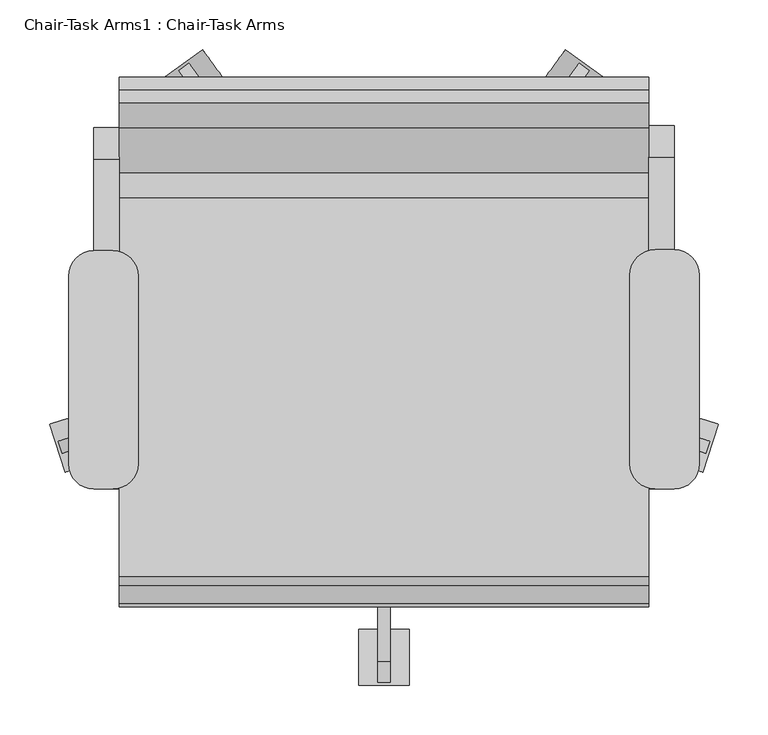
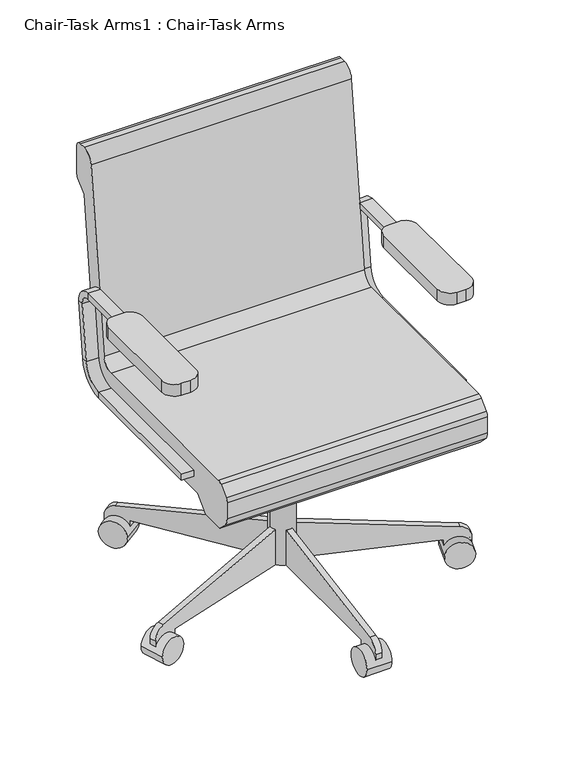
"""IFC4 building model written with IfcOpenShell, lengths in millimetres: furniture geometry, Chair-Task Arms1 : Chair-Task Arms."""

from ifc_helpers import new_model, si_unit, point, frame, frame_2d, origin, place, context, project, spatial, polyline, circle_curve, trimmed, segment, composite_curve, outline, extrude, source, transform, mapped, element, save
from ifc_brep_helpers import plane_surface, cylinder_surface, revolved_surface, advanced_brep


def chair_task_arms1_chair_task_arms_295dccd0(model_context):
    return source(origin(), model_context, "Body", "SolidModel", [
        extrude(outline(composite_curve([segment(trimmed(circle_curve(frame_2d((433.0908197, 48.8028048)), 25.4), [point((433.0908197, 74.2028048))], [point((458.4908197, 48.8028048))], False, "CARTESIAN"), True, "CONTINUOUS"), segment(polyline([(458.4908197, 48.8028048), (458.4908197, -141.6319091)]), True, "CONTINUOUS"), segment(trimmed(circle_curve(frame_2d((433.0908197, -141.6319091)), 25.4), [point((458.4908197, -141.6319091))], [point((433.0908197, -167.0319091))], False, "CARTESIAN"), True, "CONTINUOUS"), segment(polyline([(433.0908197, -167.0319091), (414.0408197, -167.0319091)]), True, "CONTINUOUS"), segment(trimmed(circle_curve(frame_2d((414.0408197, -141.6319091)), 25.4), [point((414.0408197, -167.0319091))], [point((388.6408197, -141.6319091))], False, "CARTESIAN"), True, "CONTINUOUS"), segment(polyline([(388.6408197, -141.6319091), (388.6408197, 48.8028048)]), True, "CONTINUOUS"), segment(trimmed(circle_curve(frame_2d((414.0408197, 48.8028048)), 25.4), [point((388.6408197, 48.8028048))], [point((414.0408197, 74.2028048))], False, "CARTESIAN"), True, "CONTINUOUS"), segment(polyline([(414.0408197, 74.2028048), (433.0908197, 74.2028048)]), True, "CONTINUOUS")], self_intersect=False)), frame((0.0, 0.0, 596.9), z_axis=(0.0, 0.0, 1.0), x_axis=(1.0, 0.0, 0.0)), (0.0, 0.0, 1.0), 25.4),
        extrude(outline(composite_curve([segment(trimmed(circle_curve(frame_2d((-132.0591803, 47.7575984)), 25.4), [point((-132.0591803, 73.1575984))], [point((-106.6591803, 47.7575984))], False, "CARTESIAN"), True, "CONTINUOUS"), segment(polyline([(-106.6591803, 47.7575984), (-106.6591803, -141.6319091)]), True, "CONTINUOUS"), segment(trimmed(circle_curve(frame_2d((-132.0591803, -141.6319091)), 25.4), [point((-106.6591803, -141.6319091))], [point((-132.0591803, -167.0319091))], False, "CARTESIAN"), True, "CONTINUOUS"), segment(polyline([(-132.0591803, -167.0319091), (-151.1091803, -167.0319091)]), True, "CONTINUOUS"), segment(trimmed(circle_curve(frame_2d((-151.1091803, -141.6319091)), 25.4), [point((-151.1091803, -167.0319091))], [point((-176.5091803, -141.6319091))], False, "CARTESIAN"), True, "CONTINUOUS"), segment(polyline([(-176.5091803, -141.6319091), (-176.5091803, 47.7575984)]), True, "CONTINUOUS"), segment(trimmed(circle_curve(frame_2d((-151.1091803, 47.7575984)), 25.4), [point((-176.5091803, 47.7575984))], [point((-151.1091803, 73.1575984))], False, "CARTESIAN"), True, "CONTINUOUS"), segment(polyline([(-151.1091803, 73.1575984), (-132.0591803, 73.1575984)]), True, "CONTINUOUS")], self_intersect=False)), frame((0.0, 0.0, 596.9), z_axis=(0.0, 0.0, 1.0), x_axis=(1.0, 0.0, 0.0)), (0.0, 0.0, 1.0), 25.4),
        advanced_brep(
        [(-151.1091803, -167.0319091, 412.75), (-125.7091803, -167.0319091, 412.75), (-125.7091803, -167.0319091, 425.45), (-151.1091803, -167.0319091, 425.45), (-151.1091803, 126.2388651, 425.45), (-151.1091803, 126.2388651, 412.75), (-125.7091803, 126.2388651, 425.45), (-125.7091803, 126.2388651, 412.75), (-151.1091803, 170.3844094, 464.7064065), (-151.1091803, 182.9974221, 463.2225227), (-125.7091803, 170.3844094, 464.7064065), (-125.7091803, 182.9974221, 463.2225227), (-151.1091803, 184.1806174, 581.9741742), (-151.1091803, 196.7936301, 580.4902904), (-125.7091803, 184.1806174, 581.9741742), (-125.7091803, 196.7936301, 580.4902904), (-151.1091803, 165.2610984, 603.25), (-151.1091803, 165.2610984, 615.95), (-125.7091803, 165.2610984, 603.25), (-125.7091803, 165.2610984, 615.95), (-151.1091803, -18.9459016, 615.95), (-151.1091803, -18.9459016, 603.25), (-125.7091803, -18.9459016, 603.25), (-125.7091803, -18.9459016, 615.95)],
        [
            (0, 1),
            (1, 2),
            (2, 3),
            (3, 0),
            (3, 4),
            (4, 5),
            (5, 0),
            (2, 6),
            (6, 4),
            (1, 7),
            (7, 6),
            (5, 7),
            (8, 9),
            (9, 5, circle_curve(frame((-151.1091803, 126.2388651, 469.9), z_axis=(-1.0, 0.0, 0.0), x_axis=(0.0, 0.0, -1.0)), 57.15)),
            (4, 8, circle_curve(frame((-151.1091803, 126.2388651, 469.9), z_axis=(1.0, 0.0, 0.0), x_axis=(0.0, 0.0, -1.0)), 44.45)),
            (10, 8),
            (6, 10, circle_curve(frame((-125.7091803, 126.2388651, 469.9), z_axis=(1.0, 0.0, 0.0), x_axis=(0.0, 0.0, -1.0)), 44.45)),
            (11, 10),
            (7, 11, circle_curve(frame((-125.7091803, 126.2388651, 469.9), z_axis=(1.0, 0.0, 0.0), x_axis=(0.0, 0.0, -1.0)), 57.15)),
            (9, 11),
            (8, 12),
            (12, 13),
            (13, 9),
            (10, 14),
            (14, 12),
            (11, 15),
            (15, 14),
            (13, 15),
            (16, 17),
            (17, 13, circle_curve(frame((-151.1091803, 165.2610984, 584.2), z_axis=(-1.0, 0.0, 0.0), x_axis=(0.0, 0.993150604322877, -0.11684124756739026)), 31.75)),
            (12, 16, circle_curve(frame((-151.1091803, 165.2610984, 584.2), z_axis=(1.0, 0.0, 0.0), x_axis=(0.0, 0.993150604322877, -0.11684124756739026)), 19.05)),
            (18, 16),
            (14, 18, circle_curve(frame((-125.7091803, 165.2610984, 584.2), z_axis=(1.0, 0.0, 0.0), x_axis=(0.0, 0.993150604322877, -0.11684124756739026)), 19.05)),
            (19, 18),
            (15, 19, circle_curve(frame((-125.7091803, 165.2610984, 584.2), z_axis=(1.0, 0.0, 0.0), x_axis=(0.0, 0.993150604322877, -0.11684124756739026)), 31.75)),
            (17, 19),
            (20, 21),
            (21, 22),
            (22, 23),
            (23, 20),
            (16, 21),
            (20, 17),
            (18, 22),
            (19, 23),
        ],
        [
            plane_surface(frame((-152.608212, -167.0319091, 419.1), z_axis=(0.0, -1.0, 0.0), x_axis=(0.0, 0.0, -1.0))),
            plane_surface(frame((-151.1091803, -167.0319091, 412.75), z_axis=(-1.0, 0.0, 0.0), x_axis=(0.0, 1.0, 0.0))),
            plane_surface(frame((-151.1091803, -167.0319091, 425.45), z_axis=(0.0, 0.0, 1.0), x_axis=(0.0, 1.0, 0.0))),
            plane_surface(frame((-125.7091803, -167.0319091, 425.45), z_axis=(1.0, 0.0, 0.0), x_axis=(0.0, 1.0, 0.0))),
            plane_surface(frame((-125.7091803, -167.0319091, 412.75), z_axis=(0.0, 0.0, -1.0), x_axis=(0.0, 1.0, 0.0))),
            plane_surface(frame((-151.1091803, 126.2388651, 469.9), z_axis=(-1.0, 0.0, 0.0), x_axis=(0.0, 0.0, -1.0))),
            revolved_surface(polyline([(-151.1091803, 126.2388651, 425.45), (-125.7091803, 126.2388651, 425.45)]), (-138.4091803, 126.2388651, 469.9), (-1.0, 0.0, 0.0)),
            plane_surface(frame((-125.7091803, 126.2388651, 469.9), z_axis=(1.0, 0.0, 0.0), x_axis=(0.0, 0.0, -1.0))),
            cylinder_surface(frame((-138.4091803, 126.2388651, 469.9), z_axis=(-1.0, 0.0, 0.0), x_axis=(0.0, 0.0, -1.0)), 57.15),
            plane_surface(frame((-151.1091803, 182.9974221, 463.2225227), z_axis=(-1.0, 0.0, 0.0), x_axis=(0.0, 0.11684124756738562, 0.9931506043228776))),
            plane_surface(frame((-151.1091803, 170.3844094, 464.7064065), z_axis=(0.0, -0.9931506043228776, 0.11684124756738562), x_axis=(0.0, 0.11684124756738562, 0.9931506043228776))),
            plane_surface(frame((-125.7091803, 170.3844094, 464.7064065), z_axis=(1.0, 0.0, 0.0), x_axis=(0.0, 0.11684124756738562, 0.9931506043228776))),
            plane_surface(frame((-125.7091803, 182.9974221, 463.2225227), z_axis=(0.0, 0.9931506043228776, -0.11684124756738562), x_axis=(0.0, 0.11684124756738562, 0.9931506043228776))),
            plane_surface(frame((-151.1091803, 165.2610984, 584.2), z_axis=(-1.0, 0.0, 0.0), x_axis=(0.0, 0.993150604322877, -0.11684124756739026))),
            revolved_surface(polyline([(-151.1091803, 184.1806174123508, 581.9741742338413), (-125.7091803, 184.1806174123508, 581.9741742338413)]), (-138.4091803, 165.2610984, 584.2), (-1.0, 0.0, 0.0)),
            plane_surface(frame((-125.7091803, 165.2610984, 584.2), z_axis=(1.0, 0.0, 0.0), x_axis=(0.0, 0.993150604322877, -0.11684124756739026))),
            cylinder_surface(frame((-138.4091803, 165.2610984, 584.2), z_axis=(-1.0, 0.0, 0.0), x_axis=(0.0, 0.993150604322877, -0.11684124756739026)), 31.75),
            plane_surface(frame((-152.608212, -18.9459016, 609.6), z_axis=(0.0, -1.0, 0.0), x_axis=(0.0, 0.0, 1.0))),
            plane_surface(frame((-151.1091803, 165.2610984, 615.95), z_axis=(-1.0, 0.0, 0.0), x_axis=(0.0, -1.0, 0.0))),
            plane_surface(frame((-151.1091803, 165.2610984, 603.25), z_axis=(0.0, 0.0, -1.0), x_axis=(0.0, -1.0, 0.0))),
            plane_surface(frame((-125.7091803, 165.2610984, 603.25), z_axis=(1.0, 0.0, 0.0), x_axis=(0.0, -1.0, 0.0))),
            plane_surface(frame((-125.7091803, 165.2610984, 615.95), z_axis=(0.0, 0.0, 1.0), x_axis=(0.0, -1.0, 0.0))),
        ],
        [
            (0, [[1, 2, 3, 4]]),
            (1, [[5, 6, 7, -4]]),
            (2, [[8, 9, -5, -3]]),
            (3, [[10, 11, -8, -2]]),
            (4, [[-7, 12, -10, -1]]),
            (5, [[13, 14, -6, 15]]),
            (6, [[16, -15, -9, 17]]),
            (7, [[18, -17, -11, 19]]),
            (8, [[20, -19, -12, -14]]),
            (9, [[21, 22, 23, -13]]),
            (10, [[24, 25, -21, -16]]),
            (11, [[26, 27, -24, -18]]),
            (12, [[-23, 28, -26, -20]]),
            (13, [[29, 30, -22, 31]]),
            (14, [[32, -31, -25, 33]]),
            (15, [[34, -33, -27, 35]]),
            (16, [[36, -35, -28, -30]]),
            (17, [[37, 38, 39, 40]]),
            (18, [[41, -37, 42, -29]]),
            (19, [[43, -38, -41, -32]]),
            (20, [[44, -39, -43, -34]]),
            (21, [[-42, -40, -44, -36]]),
        ],
    ),
        advanced_brep(
        [(433.0908197, -167.0319091, 425.45), (407.6908197, -167.0319091, 425.45), (407.6908197, -167.0319091, 412.75), (433.0908197, -167.0319091, 412.75), (433.0908197, 128.329278, 412.75), (433.0908197, 128.329278, 425.45), (407.6908197, 128.329278, 412.75), (407.6908197, 128.329278, 425.45), (433.0908197, 185.0878351, 463.2225227), (433.0908197, 172.4748224, 464.7064065), (407.6908197, 185.0878351, 463.2225227), (407.6908197, 172.4748224, 464.7064065), (433.0908197, 198.884043, 580.4902904), (433.0908197, 186.2710303, 581.9741742), (407.6908197, 198.884043, 580.4902904), (407.6908197, 186.2710303, 581.9741742), (433.0908197, 167.3515113, 615.95), (433.0908197, 167.3515113, 603.25), (407.6908197, 167.3515113, 615.95), (407.6908197, 167.3515113, 603.25), (433.0908197, -18.9459016, 603.25), (433.0908197, -18.9459016, 615.95), (407.6908197, -18.9459016, 615.95), (407.6908197, -18.9459016, 603.25)],
        [
            (0, 1),
            (1, 2),
            (2, 3),
            (3, 0),
            (3, 4),
            (4, 5),
            (5, 0),
            (2, 6),
            (6, 4),
            (1, 7),
            (7, 6),
            (5, 7),
            (8, 9),
            (9, 5, circle_curve(frame((433.0908197, 128.329278, 469.9), z_axis=(-1.0, 0.0, 0.0), x_axis=(0.0, 0.0, -1.0)), 44.45)),
            (4, 8, circle_curve(frame((433.0908197, 128.329278, 469.9), z_axis=(1.0, 0.0, 0.0), x_axis=(0.0, 0.0, -1.0)), 57.15)),
            (10, 8),
            (6, 10, circle_curve(frame((407.6908197, 128.329278, 469.9), z_axis=(1.0, 0.0, 0.0), x_axis=(0.0, 0.0, -1.0)), 57.15)),
            (11, 10),
            (7, 11, circle_curve(frame((407.6908197, 128.329278, 469.9), z_axis=(1.0, 0.0, 0.0), x_axis=(0.0, 0.0, -1.0)), 44.45)),
            (9, 11),
            (8, 12),
            (12, 13),
            (13, 9),
            (10, 14),
            (14, 12),
            (11, 15),
            (15, 14),
            (13, 15),
            (16, 17),
            (17, 13, circle_curve(frame((433.0908197, 167.3515113, 584.2), z_axis=(-1.0, 0.0, 0.0), x_axis=(0.0, 0.9931506043228767, -0.1168412475673929)), 19.05)),
            (12, 16, circle_curve(frame((433.0908197, 167.3515113, 584.2), z_axis=(1.0, 0.0, 0.0), x_axis=(0.0, 0.9931506043228767, -0.1168412475673929)), 31.75)),
            (18, 16),
            (14, 18, circle_curve(frame((407.6908197, 167.3515113, 584.2), z_axis=(1.0, 0.0, 0.0), x_axis=(0.0, 0.9931506043228767, -0.1168412475673929)), 31.75)),
            (19, 18),
            (15, 19, circle_curve(frame((407.6908197, 167.3515113, 584.2), z_axis=(1.0, 0.0, 0.0), x_axis=(0.0, 0.9931506043228767, -0.1168412475673929)), 19.05)),
            (17, 19),
            (20, 21),
            (21, 22),
            (22, 23),
            (23, 20),
            (16, 21),
            (20, 17),
            (18, 22),
            (19, 23),
        ],
        [
            plane_surface(frame((406.191788, -167.0319091, 419.1), z_axis=(0.0, -1.0, 0.0), x_axis=(0.0, 0.0, -1.0))),
            plane_surface(frame((433.0908197, -167.0319091, 425.45), z_axis=(1.0, 0.0, 0.0), x_axis=(0.0, 1.0, 0.0))),
            plane_surface(frame((433.0908197, -167.0319091, 412.75), z_axis=(0.0, 0.0, -1.0), x_axis=(0.0, 1.0, 0.0))),
            plane_surface(frame((407.6908197, -167.0319091, 412.75), z_axis=(-1.0, 0.0, 0.0), x_axis=(0.0, 1.0, 0.0))),
            plane_surface(frame((407.6908197, -167.0319091, 425.45), z_axis=(0.0, 0.0, 1.0), x_axis=(0.0, 1.0, 0.0))),
            plane_surface(frame((433.0908197, 128.329278, 469.9), z_axis=(1.0, 0.0, 0.0), x_axis=(0.0, 0.0, -1.0))),
            cylinder_surface(frame((420.3908197, 128.329278, 469.9), z_axis=(-1.0, 0.0, 0.0), x_axis=(0.0, 0.0, -1.0)), 57.15),
            plane_surface(frame((407.6908197, 128.329278, 469.9), z_axis=(-1.0, 0.0, 0.0), x_axis=(0.0, 0.0, -1.0))),
            revolved_surface(polyline([(407.6908197, 128.329278, 425.45), (433.0908197, 128.329278, 425.45)]), (420.3908197, 128.329278, 469.9), (-1.0, 0.0, 0.0)),
            plane_surface(frame((433.0908197, 172.4748224, 464.7064065), z_axis=(1.0, 0.0, 0.0), x_axis=(0.0, 0.11684124756738622, 0.9931506043228775))),
            plane_surface(frame((433.0908197, 185.0878351, 463.2225227), z_axis=(0.0, 0.9931506043228775, -0.11684124756738622), x_axis=(0.0, 0.11684124756738622, 0.9931506043228775))),
            plane_surface(frame((407.6908197, 185.0878351, 463.2225227), z_axis=(-1.0, 0.0, 0.0), x_axis=(0.0, 0.11684124756738622, 0.9931506043228775))),
            plane_surface(frame((407.6908197, 172.4748224, 464.7064065), z_axis=(0.0, -0.9931506043228775, 0.11684124756738622), x_axis=(0.0, 0.11684124756738622, 0.9931506043228775))),
            plane_surface(frame((433.0908197, 167.3515113, 584.2), z_axis=(1.0, 0.0, 0.0), x_axis=(0.0, 0.9931506043228767, -0.1168412475673929))),
            cylinder_surface(frame((420.3908197, 167.3515113, 584.2), z_axis=(-1.0, 0.0, 0.0), x_axis=(0.0, 0.9931506043228767, -0.1168412475673929)), 31.75),
            plane_surface(frame((407.6908197, 167.3515113, 584.2), z_axis=(-1.0, 0.0, 0.0), x_axis=(0.0, 0.9931506043228767, -0.1168412475673929))),
            revolved_surface(polyline([(407.6908197, 186.2710303123508, 581.9741742338412), (433.0908197, 186.2710303123508, 581.9741742338412)]), (420.3908197, 167.3515113, 584.2), (-1.0, 0.0, 0.0)),
            plane_surface(frame((406.191788, -18.9459016, 609.6), z_axis=(0.0, -1.0, 0.0), x_axis=(0.0, 0.0, 1.0))),
            plane_surface(frame((433.0908197, 167.3515113, 603.25), z_axis=(1.0, 0.0, 0.0), x_axis=(0.0, -1.0, 0.0))),
            plane_surface(frame((433.0908197, 167.3515113, 615.95), z_axis=(0.0, 0.0, 1.0), x_axis=(0.0, -1.0, 0.0))),
            plane_surface(frame((407.6908197, 167.3515113, 615.95), z_axis=(-1.0, 0.0, 0.0), x_axis=(0.0, -1.0, 0.0))),
            plane_surface(frame((407.6908197, 167.3515113, 603.25), z_axis=(0.0, 0.0, -1.0), x_axis=(0.0, -1.0, 0.0))),
        ],
        [
            (0, [[1, 2, 3, 4]]),
            (1, [[5, 6, 7, -4]]),
            (2, [[8, 9, -5, -3]]),
            (3, [[10, 11, -8, -2]]),
            (4, [[-7, 12, -10, -1]]),
            (5, [[13, 14, -6, 15]]),
            (6, [[16, -15, -9, 17]]),
            (7, [[18, -17, -11, 19]]),
            (8, [[20, -19, -12, -14]]),
            (9, [[21, 22, 23, -13]]),
            (10, [[24, 25, -21, -16]]),
            (11, [[26, 27, -24, -18]]),
            (12, [[-23, 28, -26, -20]]),
            (13, [[29, 30, -22, 31]]),
            (14, [[32, -31, -25, 33]]),
            (15, [[34, -33, -27, 35]]),
            (16, [[36, -35, -28, -30]]),
            (17, [[37, 38, 39, 40]]),
            (18, [[41, -37, 42, -29]]),
            (19, [[43, -38, -41, -32]]),
            (20, [[44, -39, -43, -34]]),
            (21, [[-42, -40, -44, -36]]),
        ],
    ),
        extrude(outline(composite_curve([segment(trimmed(circle_curve(frame_2d((140.9908197, -18.9459016)), 25.4), [point((115.5908197, -18.9459016))], [point((166.3908197, -18.9459016))], False, "CARTESIAN"), True, "CONTINUOUS"), segment(trimmed(circle_curve(frame_2d((140.9908197, -18.9459016)), 25.4), [point((166.3908197, -18.9459016))], [point((115.5908197, -18.9459016))], False, "CARTESIAN"), True, "CONTINUOUS")], self_intersect=False)), frame((0.0, 0.0, 53.5835944), z_axis=(0.0, 0.0, 1.0), x_axis=(1.0, 0.0, 0.0)), (0.0, 0.0, 1.0), 330.5914056),
        extrude(outline(composite_curve([segment(trimmed(circle_curve(frame_2d((0.0, 28.2002728)), 28.2002727), [point((0.0, 56.4005455))], [point((0.0, 0.0))], False, "CARTESIAN"), True, "CONTINUOUS"), segment(trimmed(circle_curve(frame_2d((0.0, 28.2002728)), 28.2002727), [point((0.0, 0.0))], [point((0.0, 56.4005455))], False, "CARTESIAN"), True, "CONTINUOUS")], self_intersect=False)), frame((461.9222851, -149.9299964, 28.1835944), z_axis=(0.3090169943749423, 0.9510565162951553, 0.0), x_axis=(0.0, 0.0, -1.0)), (0.0, 0.0, 1.0), 50.8),
        extrude(outline(composite_curve([segment(polyline([(25.4, 0.0), (0.0, 0.0), (0.0, 50.8), (24.303053, 50.8)]), True, "CONTINUOUS"), segment(trimmed(circle_curve(frame_2d((24.303053, 25.4)), 25.4), [point((24.303053, 50.8))], [point((49.3171699, 29.8106636))], False, "CARTESIAN"), True, "CONTINUOUS"), segment(polyline([(49.3171699, 29.8106636), (101.6, -266.7), (101.6, -292.1), (25.4, -292.1), (25.4, 0.0)]), True, "CONTINUOUS")], self_intersect=False)), frame((416.8321702, -115.2489746, 28.1835944), z_axis=(0.3090169943749423, 0.9510565162951553, 0.0), x_axis=(0.0, 0.0, 1.0)), (0.0, 0.0, 1.0), 12.7),
        extrude(outline(composite_curve([segment(trimmed(circle_curve(frame_2d((0.0, 28.2002726)), 28.2002727), [point((0.0, 56.4005454))], [point((0.0, 0.0))], False, "CARTESIAN"), True, "CONTINUOUS"), segment(trimmed(circle_curve(frame_2d((0.0, 28.2002726)), 28.2002727), [point((0.0, 0.0))], [point((0.0, 56.4005454))], False, "CARTESIAN"), True, "CONTINUOUS")], self_intersect=False)), frame((364.7373733, 245.8017485, 28.1835944), z_axis=(-0.8090169943749499, 0.5877852522924699, 0.0), x_axis=(0.0, 0.0, -1.0)), (0.0, 0.0, 1.0), 50.8),
        extrude(outline(composite_curve([segment(polyline([(25.4, 0.0), (0.0, 0.0), (0.0, 50.8), (24.303053, 50.8)]), True, "CONTINUOUS"), segment(trimmed(circle_curve(frame_2d((24.303053, 25.3999999)), 25.4), [point((24.303053, 50.8))], [point((49.3171699, 29.8106637))], False, "CARTESIAN"), True, "CONTINUOUS"), segment(polyline([(49.3171699, 29.8106637), (101.6, -266.7), (101.6, -292.1), (25.4, -292.1), (25.4, 0.0)]), True, "CONTINUOUS")], self_intersect=False)), frame((317.8201498, 213.6355261, 28.1835944), z_axis=(-0.8090169943749499, 0.5877852522924699, 0.0), x_axis=(0.0, 0.0, 1.0)), (0.0, 0.0, 1.0), 12.7),
        extrude(outline(composite_curve([segment(trimmed(circle_curve(frame_2d((0.0, 28.2002726)), 28.2002727), [point((0.0, 56.4005454))], [point((0.0, 0.0))], False, "CARTESIAN"), True, "CONTINUOUS"), segment(trimmed(circle_curve(frame_2d((0.0, 28.2002726)), 28.2002727), [point((0.0, 0.0))], [point((0.0, 56.4005454))], False, "CARTESIAN"), True, "CONTINUOUS")], self_intersect=False)), frame((-82.755734, 245.8017485, 28.1835944), z_axis=(0.8090169943749458, 0.5877852522924754, 0.0), x_axis=(0.0, 0.0, 1.0)), (0.0, 0.0, 1.0), 50.8),
        extrude(outline(composite_curve([segment(polyline([(-25.4, 0.0), (-25.4, -292.1), (-101.6, -292.1), (-101.6, -266.6999999), (-49.3171699, 29.8106637)]), True, "CONTINUOUS"), segment(trimmed(circle_curve(frame_2d((-24.303053, 25.3999999)), 25.4), [point((-49.3171699, 29.8106637))], [point((-24.303053, 50.8))], False, "CARTESIAN"), True, "CONTINUOUS"), segment(polyline([(-24.303053, 50.8), (0.0, 50.8), (0.0, 0.0), (-25.4, 0.0)]), True, "CONTINUOUS")], self_intersect=False)), frame((-35.8385104, 213.6355261, 28.1835944), z_axis=(0.8090169943749459, 0.5877852522924754, 0.0), x_axis=(0.0, 0.0, -1.0)), (0.0, 0.0, 1.0), 12.7),
        extrude(outline(composite_curve([segment(trimmed(circle_curve(frame_2d((0.0, 28.2002727)), 28.2002727), [point((0.0, 56.4005454))], [point((0.0, 0.0))], False, "CARTESIAN"), True, "CONTINUOUS"), segment(trimmed(circle_curve(frame_2d((0.0, 28.2002727)), 28.2002727), [point((0.0, 0.0))], [point((0.0, 56.4005454))], False, "CARTESIAN"), True, "CONTINUOUS")], self_intersect=False)), frame((-179.9406457, -149.9299964, 28.1835944), z_axis=(-0.3090169943749487, 0.9510565162951532, 0.0), x_axis=(0.0, 0.0, 1.0)), (0.0, 0.0, 1.0), 50.8),
        extrude(outline(composite_curve([segment(polyline([(-25.4, 0.0), (-25.4, -292.1), (-101.6, -292.1), (-101.6, -266.7), (-49.3171699, 29.8106637)]), True, "CONTINUOUS"), segment(trimmed(circle_curve(frame_2d((-24.303053, 25.4)), 25.4), [point((-49.3171699, 29.8106637))], [point((-24.303053, 50.8000001))], False, "CARTESIAN"), True, "CONTINUOUS"), segment(polyline([(-24.303053, 50.8000001), (0.0, 50.8000001), (0.0, 0.0), (-25.4, 0.0)]), True, "CONTINUOUS")], self_intersect=False)), frame((-134.8505308, -115.2489746, 28.1835944), z_axis=(-0.3090169943749487, 0.9510565162951532, 0.0), x_axis=(0.0, 0.0, -1.0)), (0.0, 0.0, 1.0), 12.7),
        extrude(outline(composite_curve([segment(trimmed(circle_curve(frame_2d((-336.4459016, 28.1835944)), 28.2002727), [point((-308.2456289, 28.1835944))], [point((-364.6461744, 28.1835944))], False, "CARTESIAN"), True, "CONTINUOUS"), segment(trimmed(circle_curve(frame_2d((-336.4459016, 28.1835944)), 28.2002727), [point((-364.6461744, 28.1835944))], [point((-308.2456289, 28.1835944))], False, "CARTESIAN"), True, "CONTINUOUS")], self_intersect=False)), frame((115.5908197, 0.0, 0.0), z_axis=(1.0, 0.0, 0.0), x_axis=(0.0, 1.0, 0.0)), (0.0, 0.0, 1.0), 50.8),
        extrude(outline(composite_curve([segment(polyline([(-311.0459016, 53.5835944), (-311.0459016, 28.1835944), (-361.8459016, 28.1835944), (-361.8459016, 52.4866474)]), True, "CONTINUOUS"), segment(trimmed(circle_curve(frame_2d((-336.4459016, 52.4866474)), 25.4), [point((-361.8459016, 52.4866474))], [point((-340.8565654, 77.5007643))], False, "CARTESIAN"), True, "CONTINUOUS"), segment(polyline([(-340.8565654, 77.5007643), (-44.3459016, 129.7835944), (-18.9459016, 129.7835944), (-18.9459016, 53.5835944), (-311.0459016, 53.5835944)]), True, "CONTINUOUS")], self_intersect=False)), frame((134.6408197, 0.0, 0.0), z_axis=(1.0, 0.0, 0.0), x_axis=(0.0, 1.0, 0.0)), (0.0, 0.0, 1.0), 12.7),
        extrude(outline(polyline([(-69.7459016, 383.7835944), (19.1540984, 383.7835944), (19.1540984, 283.0954134), (-18.9459016, 283.0954134), (-69.7459016, 371.0835944), (-69.7459016, 383.7835944)])), frame((90.1908197, 0.0, 0.0), z_axis=(1.0, 0.0, 0.0), x_axis=(0.0, 1.0, 0.0)), (0.0, 0.0, 1.0), 101.6),
        extrude(outline(composite_curve([segment(trimmed(circle_curve(frame_2d((126.2050455, 482.6)), 25.4), [point((126.2050455, 457.2))], [point((151.4310708, 479.6322323))], True, "CARTESIAN"), True, "CONTINUOUS"), segment(polyline([(151.4310708, 479.6322323), (196.9528985, 866.5677677)]), True, "CONTINUOUS"), segment(trimmed(circle_curve(frame_2d((222.1789239, 863.6)), 25.4), [point((196.9528985, 866.5677677))], [point((222.1789239, 889.0))], False, "CARTESIAN"), True, "CONTINUOUS"), segment(polyline([(222.1789239, 889.0), (235.0540984, 889.0)]), True, "CONTINUOUS"), segment(trimmed(circle_curve(frame_2d((235.0540984, 876.3)), 12.7), [point((235.0540984, 889.0))], [point((247.7540984, 876.3))], False, "CARTESIAN"), True, "CONTINUOUS"), segment(polyline([(247.7540984, 876.3), (247.7540984, 818.0605122)]), True, "CONTINUOUS"), segment(trimmed(circle_curve(frame_2d((235.0540984, 818.0605122)), 12.7), [point((247.7540984, 818.0605122))], [point((244.0343545, 809.0802561))], False, "CARTESIAN"), True, "CONTINUOUS"), segment(polyline([(244.0343545, 809.0802561), (222.3540984, 787.4), (182.7870738, 451.0802913)]), True, "CONTINUOUS"), segment(trimmed(circle_curve(frame_2d((107.1089978, 459.9835944)), 76.2), [point((182.7870738, 451.0802913))], [point((107.1089978, 383.7835944))], False, "CARTESIAN"), True, "CONTINUOUS"), segment(polyline([(107.1089978, 383.7835944), (-181.0744602, 383.7835944), (-209.4470284, 355.6), (-260.2470284, 355.6), (-278.2663256, 373.7401184)]), True, "CONTINUOUS"), segment(trimmed(circle_curve(frame_2d((-260.2459016, 391.6405184)), 25.4), [point((-278.2663256, 373.7401184))], [point((-285.6459016, 391.6405184))], False, "CARTESIAN"), True, "CONTINUOUS"), segment(polyline([(-285.6459016, 391.6405184), (-285.6459016, 426.6837879)]), True, "CONTINUOUS"), segment(trimmed(circle_curve(frame_2d((-272.9459016, 426.6837879)), 12.7), [point((-285.6459016, 426.6837879))], [point((-281.8961016, 435.6939999))], False, "CARTESIAN"), True, "CONTINUOUS"), segment(polyline([(-281.8961016, 435.6939999), (-263.9604301, 453.510212)]), True, "CONTINUOUS"), segment(trimmed(circle_curve(frame_2d((-255.0102301, 444.5)), 12.7), [point((-263.9604301, 453.510212))], [point((-255.0102301, 457.2))], False, "CARTESIAN"), True, "CONTINUOUS"), segment(polyline([(-255.0102301, 457.2), (126.2050455, 457.2)]), True, "CONTINUOUS")], self_intersect=False)), frame((-125.7091803, 0.0, 0.0), z_axis=(1.0, 0.0, 0.0), x_axis=(0.0, 1.0, 0.0)), (0.0, 0.0, 1.0), 533.4),
    ])


if __name__ == "__main__":
    model = new_model("IFC4")
    model_context = context("Model", 3, world=origin())
    ifc_project = project(units=[si_unit("LENGTHUNIT", "METRE", prefix="MILLI")], contexts=[model_context])
    site = spatial("IfcSite", under=ifc_project)
    building = spatial("IfcBuilding", under=site)
    placement = place(None, origin())
    chair_task_arms1_chair_task_arms_shape = chair_task_arms1_chair_task_arms_295dccd0(model_context)
    element("IfcFurniture", 1, ObjectType="Chair-Task Arms1 : Chair-Task Arms", at=placement, inside=building, context=model_context, shape_type="MappedRepresentation", body=[
        mapped(chair_task_arms1_chair_task_arms_shape, transform((0.0, 0.0, 0.0), x_axis=(1.0, 0.0, 0.0), y_axis=(0.0, 1.0, 0.0), z_axis=(0.0, 0.0, 1.0))),
    ])
    save(model, "model.ifc")
